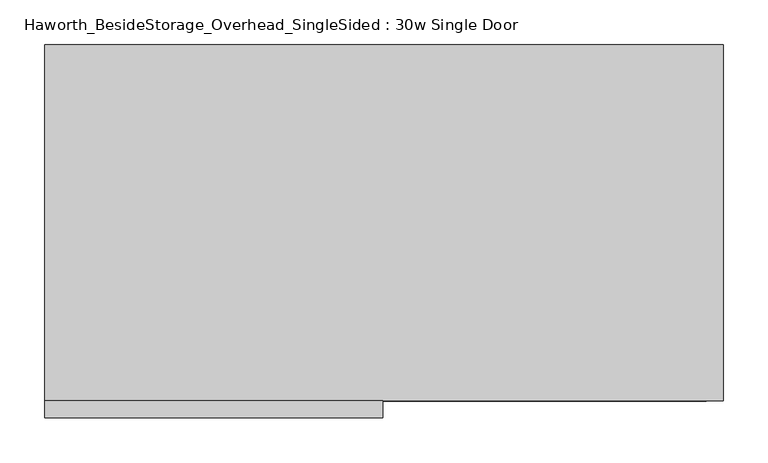
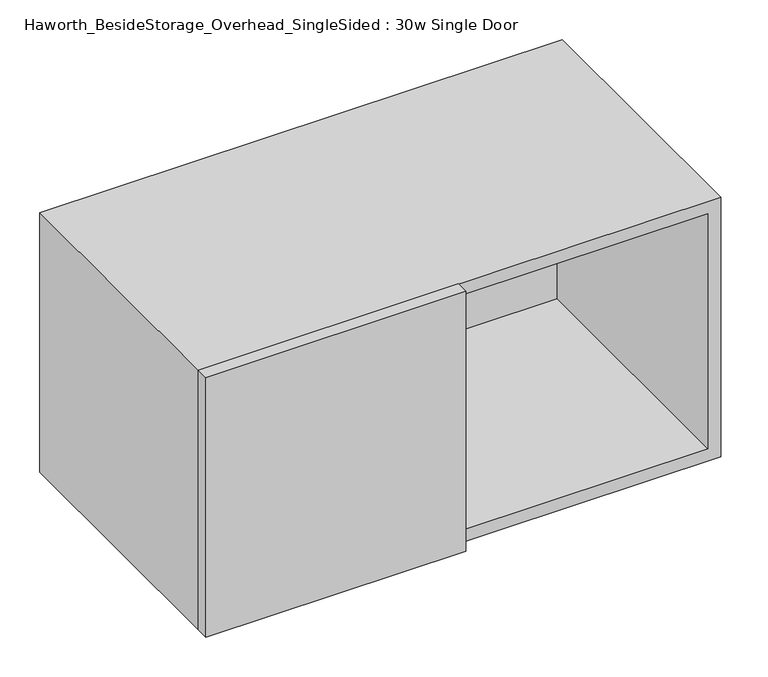
"""IFC4 building model written with IfcOpenShell, lengths in millimetres: furniture geometry, Haworth_BesideStorage_Overhead_SingleSided : 30w Single Door."""

from ifc_helpers import new_model, si_unit, frame, origin, place, context, project, spatial, polyline, outline, extrude, source, transform, mapped, element, save


def haworth_besidestorage_overhead_singlesided_30w_single_door_4ef983e8(model_context):
    return source(origin(), model_context, "Body", "SweptSolid", [
        extrude(outline(polyline([(163.5125, -419.1), (-215.9, -419.1), (-215.9, -400.05), (163.5125, -400.05), (163.5125, -419.1)])), frame((0.0, 0.0, 762.0), z_axis=(0.0, 0.0, 1.0), x_axis=(1.0, 0.0, 0.0)), (0.0, 0.0, 1.0), 400.05),
        extrude(outline(polyline([(174.625, -400.05), (155.575, -400.05), (155.575, -19.05), (174.625, -19.05), (174.625, -400.05)])), frame((0.0, 0.0, 781.05), z_axis=(0.0, 0.0, 1.0), x_axis=(1.0, 0.0, 0.0)), (0.0, 0.0, 1.0), 361.95),
        extrude(outline(polyline([(527.05, -19.05), (-196.85, -19.05), (-196.85, 0.0), (527.05, 0.0), (527.05, -19.05)])), frame((0.0, 0.0, 781.05), z_axis=(0.0, 0.0, 1.0), x_axis=(1.0, 0.0, 0.0)), (0.0, 0.0, 1.0), 361.95),
        extrude(outline(polyline([(762.0, 546.1), (1162.05, 546.1), (1162.05, -215.9), (762.0, -215.9), (762.0, 546.1)]), holes=[polyline([(1143.0, 527.05), (781.05, 527.05), (781.05, -196.85), (1143.0, -196.85), (1143.0, 527.05)])]), frame((0.0, -400.05, 0.0), z_axis=(0.0, 1.0, 0.0), x_axis=(0.0, 0.0, 1.0)), (0.0, 0.0, 1.0), 400.05),
    ])


if __name__ == "__main__":
    model = new_model("IFC4")
    model_context = context("Model", 3, world=origin())
    ifc_project = project(units=[si_unit("LENGTHUNIT", "METRE", prefix="MILLI")], contexts=[model_context])
    site = spatial("IfcSite", under=ifc_project)
    building = spatial("IfcBuilding", under=site)
    placement = place(None, origin())
    haworth_besidestorage_overhead_singlesided_30w_single_door_shape = haworth_besidestorage_overhead_singlesided_30w_single_door_4ef983e8(model_context)
    element("IfcFurniture", 1, ObjectType="Haworth_BesideStorage_Overhead_SingleSided : 30w Single Door", at=placement, inside=building, context=model_context, shape_type="MappedRepresentation", body=[
        mapped(haworth_besidestorage_overhead_singlesided_30w_single_door_shape, transform((0.0, 0.0, 0.0), x_axis=(1.0, 0.0, 0.0), y_axis=(0.0, 1.0, 0.0), z_axis=(0.0, 0.0, 1.0))),
    ])
    save(model, "model.ifc")
